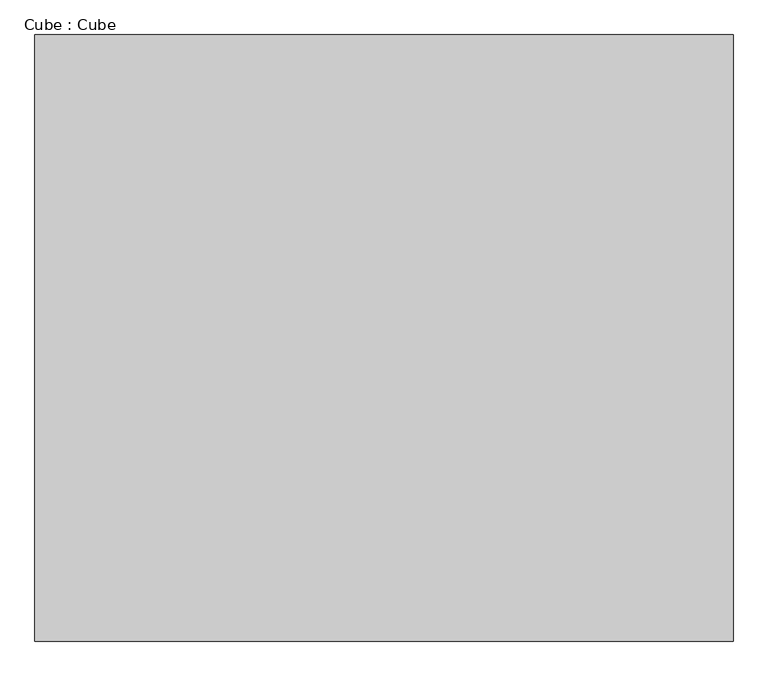
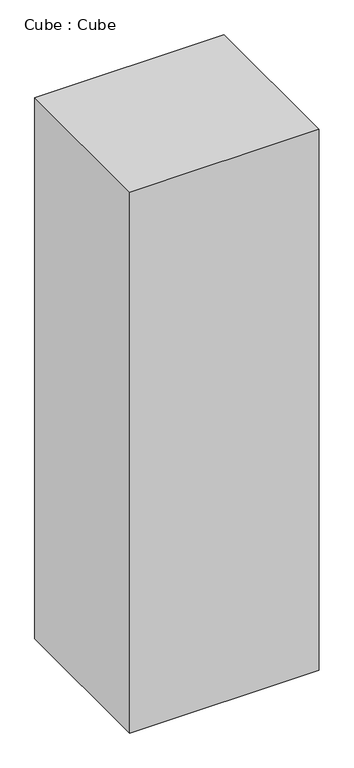
"""IFC4 building model written with IfcOpenShell, lengths in millimetres: proxy geometry, Cube : Cube."""

from ifc_helpers import new_model, si_unit, origin, origin_with_axes, place, context, project, spatial, polyline, outline, extrude, source, transform, mapped, element, save


def cube_cube_0347ae68(model_context):
    return source(origin(), model_context, "Body", "SweptSolid", [
        extrude(outline(polyline([(1628.15, 1415.35), (1628.15, -1415.35), (-1628.15, -1415.35), (-1628.15, 1415.35), (1628.15, 1415.35)])), origin_with_axes(), (0.0, 0.0, 1.0), 9830.7),
    ])


if __name__ == "__main__":
    model = new_model("IFC4")
    model_context = context("Model", 3, world=origin())
    ifc_project = project(units=[si_unit("LENGTHUNIT", "METRE", prefix="MILLI")], contexts=[model_context])
    site = spatial("IfcSite", under=ifc_project)
    building = spatial("IfcBuilding", under=site)
    placement = place(None, origin())
    cube_cube_shape = cube_cube_0347ae68(model_context)
    element("IfcBuildingElementProxy", 1, Name="Cube : Cube", ObjectType="Cube : Cube", at=placement, inside=building, context=model_context, shape_type="MappedRepresentation", body=[
        mapped(cube_cube_shape, transform((0.0, 0.0, 0.0), x_axis=(1.0, 0.0, 0.0), y_axis=(0.0, 1.0, 0.0), z_axis=(0.0, 0.0, 1.0))),
    ])
    save(model, "model.ifc")
